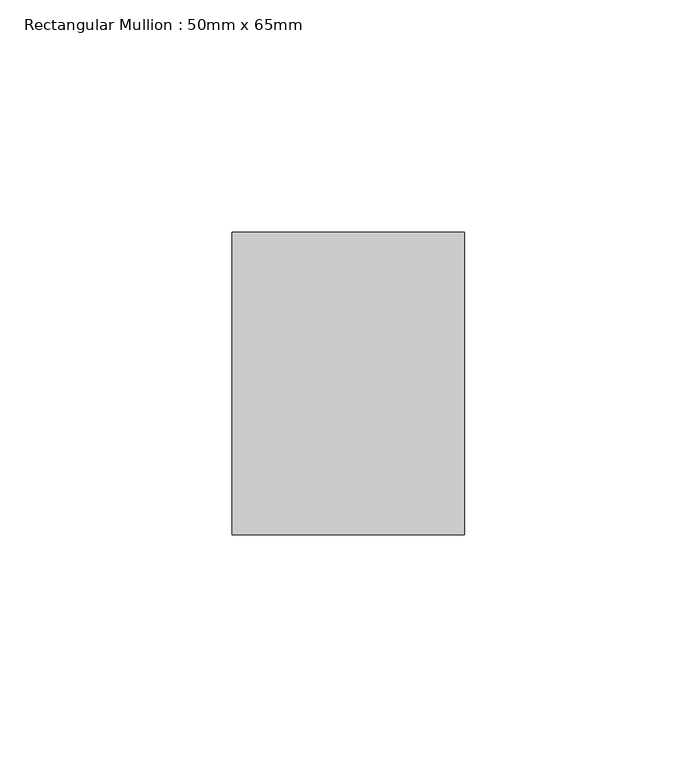
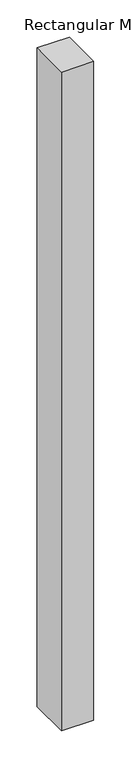
"""IFC4 building model written with IfcOpenShell, lengths in millimetres: member geometry, Rectangular Mullion : 50mm x 65mm."""

from ifc_helpers import new_model, si_unit, frame, origin, place, context, project, spatial, polyline, outline, extrude, source, transform, mapped, element, save


def rectangular_mullion_50mm_x_65mm_f2f4ad40(model_context):
    return source(origin(), model_context, "Body", "SweptSolid", [
        extrude(outline(polyline([(25.0, 32.5), (25.0, -32.5), (-25.0, -32.5), (-25.0, 32.5), (25.0, 32.5)])), frame((0.0, 0.0, -1078.0450885), z_axis=(0.0, 0.0, 1.0), x_axis=(1.0, 0.0, 0.0)), (0.0, 0.0, 1.0), 1078.0450885),
    ])


if __name__ == "__main__":
    model = new_model("IFC4")
    model_context = context("Model", 3, world=origin())
    ifc_project = project(units=[si_unit("LENGTHUNIT", "METRE", prefix="MILLI")], contexts=[model_context])
    site = spatial("IfcSite", under=ifc_project)
    building = spatial("IfcBuilding", under=site)
    placement = place(None, origin())
    rectangular_mullion_50mm_x_65mm_shape = rectangular_mullion_50mm_x_65mm_f2f4ad40(model_context)
    element("IfcMember", 1, ObjectType="Rectangular Mullion : 50mm x 65mm", at=placement, inside=building, context=model_context, shape_type="MappedRepresentation", body=[
        mapped(rectangular_mullion_50mm_x_65mm_shape, transform((0.0, 0.0, 0.0), x_axis=(1.0, 0.0, 0.0), y_axis=(0.0, 1.0, 0.0), z_axis=(0.0, 0.0, 1.0))),
    ])
    save(model, "model.ifc")
